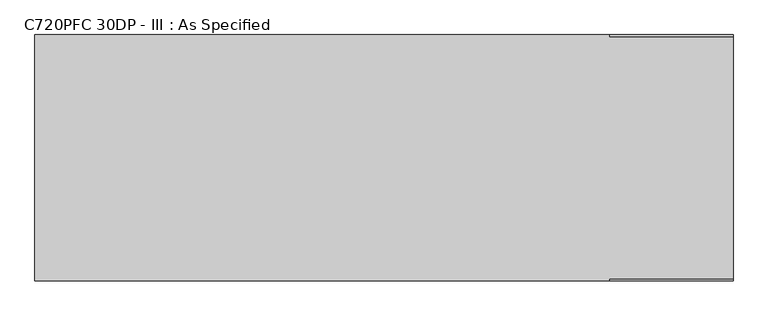
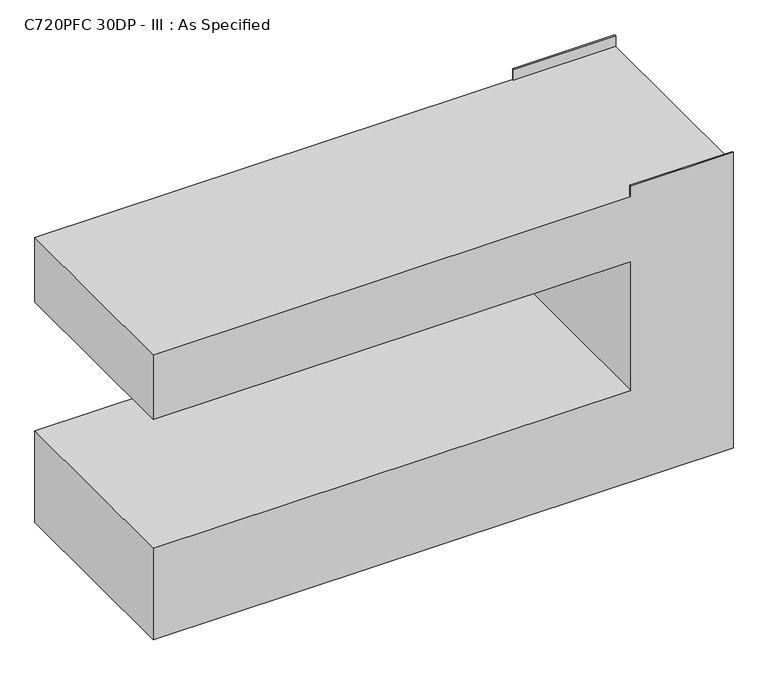
"""IFC4 building model written with IfcOpenShell, lengths in millimetres: proxy geometry, C720PFC 30DP - III : As Specified."""

from ifc_helpers import new_model, si_unit, frame, origin, place, context, project, spatial, polyline, outline, extrude, faceted_brep, source, transform, mapped, element, save


def c720pfc_30dp_iii_as_specified_12559b66(model_context):
    return source(origin(), model_context, "Body", "SolidModel", [
        extrude(outline(polyline([(838.2, 450.85), (838.2, 457.2), (1295.4, 457.2), (1295.4, 450.85), (838.2, 450.85)])), frame((0.0, 0.0, 1346.2), z_axis=(0.0, 0.0, 1.0), x_axis=(1.0, 0.0, 0.0)), (0.0, 0.0, 1.0), 50.8),
        faceted_brep([(1295.4, 457.2, 1346.2), (-1295.4, 457.2, 1346.2), (-1295.4, -457.2, 1346.2), (838.2, -457.2, 1346.2), (838.2, -450.85, 1346.2), (1295.4, -450.85, 1346.2), (1295.4, 457.2, 0.0), (1295.4, -457.2, 0.0), (-1295.4, -457.2, 0.0), (-1295.4, 457.2, 0.0), (-1295.4, 457.2, 431.8), (838.2, 457.2, 431.8), (838.2, 457.2, 1041.4), (-1295.4, 457.2, 1041.4), (-1295.4, -457.2, 1041.4), (-1295.4, -457.2, 431.8), (1295.4, -457.2, 1397.0), (838.2, -457.2, 1397.0), (838.2, -457.2, 1041.4), (838.2, -457.2, 431.8), (1295.4, -450.85, 1397.0), (838.2, -450.85, 1397.0)], [[[0, 1, 2, 3, 4, 5]], [[6, 7, 8, 9]], [[1, 0, 6, 9, 10, 11, 12, 13]], [[2, 1, 13, 14]], [[9, 8, 15, 10]], [[8, 7, 16, 17, 3, 2, 14, 18, 19, 15]], [[16, 7, 6, 0, 5, 20]], [[19, 11, 10, 15]], [[11, 19, 18, 12]], [[12, 18, 14, 13]], [[17, 21, 4, 3]], [[21, 17, 16, 20]], [[4, 21, 20, 5]]]),
    ])


if __name__ == "__main__":
    model = new_model("IFC4")
    model_context = context("Model", 3, world=origin())
    ifc_project = project(units=[si_unit("LENGTHUNIT", "METRE", prefix="MILLI")], contexts=[model_context])
    site = spatial("IfcSite", under=ifc_project)
    building = spatial("IfcBuilding", under=site)
    placement = place(None, origin())
    c720pfc_30dp_iii_as_specified_shape = c720pfc_30dp_iii_as_specified_12559b66(model_context)
    element("IfcBuildingElementProxy", 1, Name="C720PFC 30DP - III : As Specified", ObjectType="C720PFC 30DP - III : As Specified", at=placement, inside=building, context=model_context, shape_type="MappedRepresentation", body=[
        mapped(c720pfc_30dp_iii_as_specified_shape, transform((0.0, 0.0, 0.0), x_axis=(1.0, 0.0, 0.0), y_axis=(0.0, 1.0, 0.0), z_axis=(0.0, 0.0, 1.0))),
    ])
    save(model, "model.ifc")
